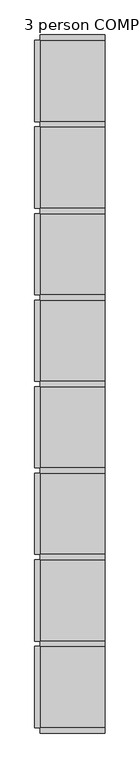
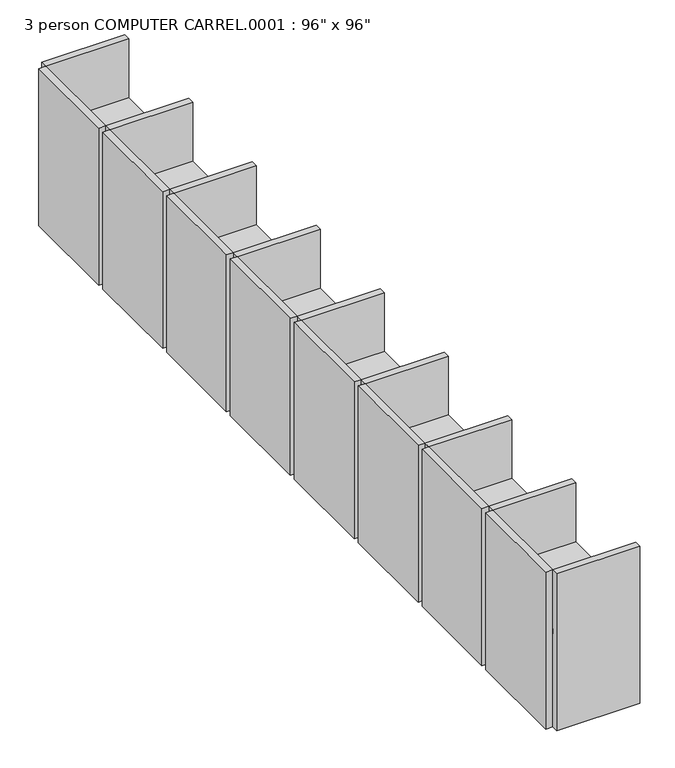
"""IFC4 building model written with IfcOpenShell, lengths in millimetres: furniture geometry."""

from ifc_helpers import new_model, si_unit, frame, origin, origin_with_axes, place, context, project, spatial, polyline, outline, extrude, source, transform, mapped, element, save


def furniture_ce60b47a(model_context):
    return source(origin(), model_context, "Body", "SweptSolid", [
        extrude(outline(polyline([(528.6682478, -2171.4230076), (-80.9317522, -2171.4230076), (-80.9317522, -1409.4230076), (528.6682478, -1409.4230076), (528.6682478, -2171.4230076)])), frame((0.0, 0.0, 723.9), z_axis=(0.0, 0.0, 1.0), x_axis=(1.0, 0.0, 0.0)), (0.0, 0.0, 1.0), 38.1),
        extrude(outline(polyline([(528.6682478, -7861.0230076), (-80.9317522, -7861.0230076), (-80.9317522, -7099.0230076), (528.6682478, -7099.0230076), (528.6682478, -7861.0230076)])), frame((0.0, 0.0, 723.9), z_axis=(0.0, 0.0, 1.0), x_axis=(1.0, 0.0, 0.0)), (0.0, 0.0, 1.0), 38.1),
        extrude(outline(polyline([(528.6682478, -6286.2230076), (528.6682478, -7048.2230076), (-80.9317522, -7048.2230076), (-80.9317522, -6286.2230076), (528.6682478, -6286.2230076)])), frame((0.0, 0.0, 723.9), z_axis=(0.0, 0.0, 1.0), x_axis=(1.0, 0.0, 0.0)), (0.0, 0.0, 1.0), 38.1),
        extrude(outline(polyline([(528.6682478, -6235.4230076), (-80.9317522, -6235.4230076), (-80.9317522, -5473.4230076), (528.6682478, -5473.4230076), (528.6682478, -6235.4230076)])), frame((0.0, 0.0, 723.9), z_axis=(0.0, 0.0, 1.0), x_axis=(1.0, 0.0, 0.0)), (0.0, 0.0, 1.0), 38.1),
        extrude(outline(polyline([(528.6682478, -4660.6230076), (528.6682478, -5422.6230076), (-80.9317522, -5422.6230076), (-80.9317522, -4660.6230076), (528.6682478, -4660.6230076)])), frame((0.0, 0.0, 723.9), z_axis=(0.0, 0.0, 1.0), x_axis=(1.0, 0.0, 0.0)), (0.0, 0.0, 1.0), 38.1),
        extrude(outline(polyline([(528.6682478, -4609.8230076), (-80.9317522, -4609.8230076), (-80.9317522, -3847.8230076), (528.6682478, -3847.8230076), (528.6682478, -4609.8230076)])), frame((0.0, 0.0, 723.9), z_axis=(0.0, 0.0, 1.0), x_axis=(1.0, 0.0, 0.0)), (0.0, 0.0, 1.0), 38.1),
        extrude(outline(polyline([(528.6682478, -3035.0230076), (528.6682478, -3797.0230076), (-80.9317522, -3797.0230076), (-80.9317522, -3035.0230076), (528.6682478, -3035.0230076)])), frame((0.0, 0.0, 723.9), z_axis=(0.0, 0.0, 1.0), x_axis=(1.0, 0.0, 0.0)), (0.0, 0.0, 1.0), 38.1),
        extrude(outline(polyline([(528.6682478, -2984.2230076), (-80.9317522, -2984.2230076), (-80.9317522, -2222.2230076), (528.6682478, -2222.2230076), (528.6682478, -2984.2230076)])), frame((0.0, 0.0, 723.9), z_axis=(0.0, 0.0, 1.0), x_axis=(1.0, 0.0, 0.0)), (0.0, 0.0, 1.0), 38.1),
        extrude(outline(polyline([(-80.9317522, -1409.4230076), (-80.9317522, -2171.4230076), (-131.7317522, -2171.4230076), (-131.7317522, -1409.4230076), (-80.9317522, -1409.4230076)])), origin_with_axes(), (0.0, 0.0, 1.0), 1219.2),
        extrude(outline(polyline([(528.6682478, -1409.4230076), (-80.9317522, -1409.4230076), (-80.9317522, -1358.6230076), (528.6682478, -1358.6230076), (528.6682478, -1409.4230076)])), origin_with_axes(), (0.0, 0.0, 1.0), 1219.2),
        extrude(outline(polyline([(-80.9317522, -7099.0230076), (-80.9317522, -7861.0230076), (-131.7317522, -7861.0230076), (-131.7317522, -7099.0230076), (-80.9317522, -7099.0230076)])), origin_with_axes(), (0.0, 0.0, 1.0), 1219.2),
        extrude(outline(polyline([(528.6682478, -7861.0230076), (528.6682478, -7911.8230076), (-80.9317522, -7911.8230076), (-80.9317522, -7861.0230076), (528.6682478, -7861.0230076)])), origin_with_axes(), (0.0, 0.0, 1.0), 1219.2),
        extrude(outline(polyline([(-80.9317522, -7048.2230076), (-131.7317522, -7048.2230076), (-131.7317522, -6286.2230076), (-80.9317522, -6286.2230076), (-80.9317522, -7048.2230076)])), origin_with_axes(), (0.0, 0.0, 1.0), 1219.2),
        extrude(outline(polyline([(528.6682478, -7048.2230076), (528.6682478, -7099.0230076), (-80.9317522, -7099.0230076), (-80.9317522, -7048.2230076), (528.6682478, -7048.2230076)])), origin_with_axes(), (0.0, 0.0, 1.0), 1219.2),
        extrude(outline(polyline([(-80.9317522, -5473.4230076), (-80.9317522, -6235.4230076), (-131.7317522, -6235.4230076), (-131.7317522, -5473.4230076), (-80.9317522, -5473.4230076)])), origin_with_axes(), (0.0, 0.0, 1.0), 1219.2),
        extrude(outline(polyline([(528.6682478, -6235.4230076), (528.6682478, -6286.2230076), (-80.9317522, -6286.2230076), (-80.9317522, -6235.4230076), (528.6682478, -6235.4230076)])), origin_with_axes(), (0.0, 0.0, 1.0), 1219.2),
        extrude(outline(polyline([(-80.9317522, -5422.6230076), (-131.7317522, -5422.6230076), (-131.7317522, -4660.6230076), (-80.9317522, -4660.6230076), (-80.9317522, -5422.6230076)])), origin_with_axes(), (0.0, 0.0, 1.0), 1219.2),
        extrude(outline(polyline([(528.6682478, -5422.6230076), (528.6682478, -5473.4230076), (-80.9317522, -5473.4230076), (-80.9317522, -5422.6230076), (528.6682478, -5422.6230076)])), origin_with_axes(), (0.0, 0.0, 1.0), 1219.2),
        extrude(outline(polyline([(-80.9317522, -3847.8230076), (-80.9317522, -4609.8230076), (-131.7317522, -4609.8230076), (-131.7317522, -3847.8230076), (-80.9317522, -3847.8230076)])), origin_with_axes(), (0.0, 0.0, 1.0), 1219.2),
        extrude(outline(polyline([(528.6682478, -4609.8230076), (528.6682478, -4660.6230076), (-80.9317522, -4660.6230076), (-80.9317522, -4609.8230076), (528.6682478, -4609.8230076)])), origin_with_axes(), (0.0, 0.0, 1.0), 1219.2),
        extrude(outline(polyline([(-80.9317522, -3797.0230076), (-131.7317522, -3797.0230076), (-131.7317522, -3035.0230076), (-80.9317522, -3035.0230076), (-80.9317522, -3797.0230076)])), origin_with_axes(), (0.0, 0.0, 1.0), 1219.2),
        extrude(outline(polyline([(528.6682478, -3797.0230076), (528.6682478, -3847.8230076), (-80.9317522, -3847.8230076), (-80.9317522, -3797.0230076), (528.6682478, -3797.0230076)])), origin_with_axes(), (0.0, 0.0, 1.0), 1219.2),
        extrude(outline(polyline([(-80.9317522, -2222.2230076), (-80.9317522, -2984.2230076), (-131.7317522, -2984.2230076), (-131.7317522, -2222.2230076), (-80.9317522, -2222.2230076)])), origin_with_axes(), (0.0, 0.0, 1.0), 1219.2),
        extrude(outline(polyline([(528.6682478, -2222.2230076), (-80.9317522, -2222.2230076), (-80.9317522, -2171.4230076), (528.6682478, -2171.4230076), (528.6682478, -2222.2230076)])), origin_with_axes(), (0.0, 0.0, 1.0), 1219.2),
        extrude(outline(polyline([(528.6682478, -2984.2230076), (528.6682478, -3035.0230076), (-80.9317522, -3035.0230076), (-80.9317522, -2984.2230076), (528.6682478, -2984.2230076)])), origin_with_axes(), (0.0, 0.0, 1.0), 1219.2),
    ])


if __name__ == "__main__":
    model = new_model("IFC4")
    model_context = context("Model", 3, world=origin())
    ifc_project = project(units=[si_unit("LENGTHUNIT", "METRE", prefix="MILLI")], contexts=[model_context])
    site = spatial("IfcSite", under=ifc_project)
    building = spatial("IfcBuilding", under=site)
    placement = place(None, origin())
    furniture_shape = furniture_ce60b47a(model_context)
    element("IfcFurniture", 1, ObjectType="3 person COMPUTER CARREL.0001 : 96\" x 96\"", at=placement, inside=building, context=model_context, shape_type="MappedRepresentation", body=[
        mapped(furniture_shape, transform((0.0, 0.0, 0.0), x_axis=(1.0, 0.0, 0.0), y_axis=(0.0, 1.0, 0.0), z_axis=(0.0, 0.0, 1.0))),
    ])
    save(model, "model.ifc")
